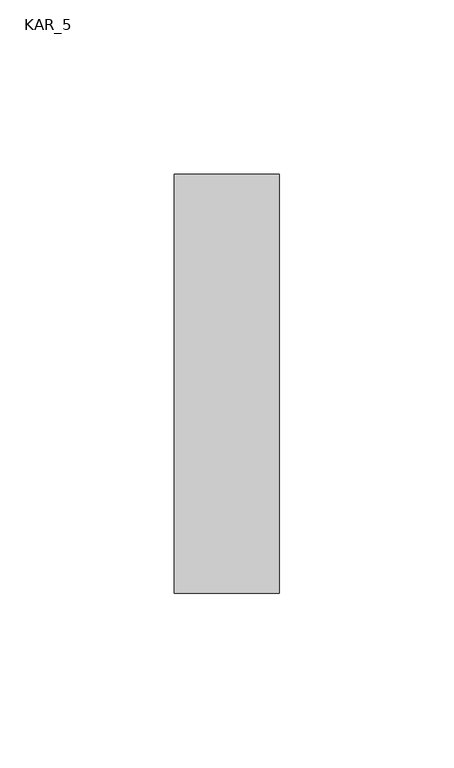
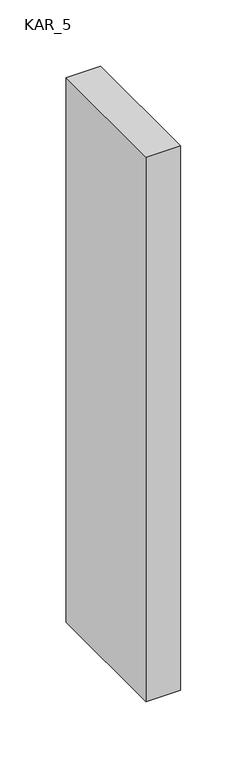
"""IFC4 building model written with IfcOpenShell, lengths in millimetres: proxy geometry, KAR_5."""

import ifcopenshell
import ifcopenshell.guid

model = None  # the IFC model being written
_history = None  # IfcOwnerHistory: only IFC2X3 demands one
_inside = {}  # id of a spatial element -> (the spatial element, [elements in it])
_under = {}  # id of a project, library or spatial element -> (it, [spatial elements below it])
_declared = {}  # id of a project -> (the project, [libraries it declares])
_typed = {}  # id of a type object -> (the type object, [elements of that type])
_made_of = {}  # id of a material, layer set ... -> (it, [elements and type objects made of it])


def new_model(schema):
    """Start an empty IFC model of exactly this schema.

    Asked for "IFC4X3", IfcOpenShell would pick the latest addendum, in which some entities
    have other attributes; the version numbers below select the first issue.
    IFC2X3 requires an IfcOwnerHistory on every rooted entity: one is made here for all.
    """
    global model, _history
    if schema == "IFC4X3":
        model = ifcopenshell.file(schema_version=(4, 3, 0, 0))
    else:
        model = ifcopenshell.file(schema=schema)
    _inside.clear()
    _under.clear()
    _declared.clear()
    _typed.clear()
    _made_of.clear()
    _history = None
    if model.schema == "IFC2X3":
        org = make("IfcOrganization", Name="unknown")
        user = make(
            "IfcPersonAndOrganization",
            ThePerson=make("IfcPerson", FamilyName="unknown"),
            TheOrganization=org,
        )
        app = make(
            "IfcApplication",
            ApplicationDeveloper=org,
            Version="unknown",
            ApplicationFullName="unknown",
            ApplicationIdentifier="unknown",
        )
        _history = make(
            "IfcOwnerHistory",
            OwningUser=user,
            OwningApplication=app,
            ChangeAction="ADDED",
            CreationDate=0,
        )
    return model


def make(cls, **values):
    """One entity of the class cls with the attributes given. An attribute that is None is left unset."""
    return model.create_entity(
        cls, **{name: value for name, value in values.items() if value is not None}
    )


def rooted(cls, **values):
    """An entity with a GlobalId (a new one), such as an element, a storey or a relation."""
    return make(cls, GlobalId=ifcopenshell.guid.new(), OwnerHistory=_history, **values)


def si_unit(unit_type, name, prefix=None):
    """IfcSIUnit, for example si_unit("LENGTHUNIT", "METRE", prefix="MILLI")."""
    return make("IfcSIUnit", UnitType=unit_type, Prefix=prefix, Name=name)


def assignment(units):
    """IfcUnitAssignment: the units of a project."""
    return None if units is None else make("IfcUnitAssignment", Units=units)


def point(xyz):
    """IfcCartesianPoint."""
    return None if xyz is None else make("IfcCartesianPoint", Coordinates=xyz)


def direction(xyz):
    """IfcDirection."""
    return None if xyz is None else make("IfcDirection", DirectionRatios=xyz)


def frame(location, z_axis=None, x_axis=None):
    """IfcAxis2Placement3D, a coordinate frame: its origin and axes. An axis left out is left unset."""
    return make(
        "IfcAxis2Placement3D",
        Location=point(location),
        Axis=direction(z_axis),
        RefDirection=direction(x_axis),
    )


def origin():
    """The frame at (0, 0, 0) with its axes left unset."""
    return frame((0.0, 0.0, 0.0))


def place(relative_to, where):
    """IfcLocalPlacement: puts the frame where relative to a parent placement (None: the world)."""
    return make(
        "IfcLocalPlacement", PlacementRelTo=relative_to, RelativePlacement=where
    )


def context(
    kind, dimensions, precision=None, world=None, true_north=None, identifier=None
):
    """IfcGeometricRepresentationContext, for example the 3D "Model" context."""
    return make(
        "IfcGeometricRepresentationContext",
        ContextIdentifier=identifier,
        ContextType=kind,
        CoordinateSpaceDimension=dimensions,
        Precision=precision,
        WorldCoordinateSystem=world,
        TrueNorth=true_north,
    )


def project(units=None, contexts=None):
    """IfcProject with its units and contexts."""
    return rooted(
        "IfcProject",
        Name="project",
        RepresentationContexts=contexts,
        UnitsInContext=assignment(units),
    )


def spatial(cls, under=None, at=None, **own):
    """A site, building, storey or space (cls), placed at a placement, below another one or the project."""
    s = rooted(cls, ObjectPlacement=at, **own)
    if under is not None:
        _under.setdefault(under.id(), (under, []))[1].append(s)
    return s


def polyline(points):
    """IfcPolyline through the points."""
    return make("IfcPolyline", Points=[point(p) for p in points])


def outline(outer, holes=None, kind="AREA"):
    """IfcArbitraryClosedProfileDef: a profile drawn as a closed curve; with holes, ...WithVoids."""
    if holes is None:
        return make("IfcArbitraryClosedProfileDef", ProfileType=kind, OuterCurve=outer)
    return make(
        "IfcArbitraryProfileDefWithVoids",
        ProfileType=kind,
        OuterCurve=outer,
        InnerCurves=holes,
    )


def extrude(swept, where, along, depth):
    """IfcExtrudedAreaSolid: the profile swept, set in the frame where, extruded along a direction by depth."""
    return make(
        "IfcExtrudedAreaSolid",
        SweptArea=swept,
        Position=where,
        ExtrudedDirection=direction(along),
        Depth=depth,
    )


def shape(context_of_items, identifier, shape_type, items):
    """IfcShapeRepresentation: the items that make up one representation, for example the "Body"."""
    return make(
        "IfcShapeRepresentation",
        ContextOfItems=context_of_items,
        RepresentationIdentifier=identifier,
        RepresentationType=shape_type,
        Items=items,
    )


def source(mapping_origin, context_of_items, identifier, shape_type, items):
    """IfcRepresentationMap: a shape defined once, which mapped items show again and again."""
    return make(
        "IfcRepresentationMap",
        MappingOrigin=mapping_origin,
        MappedRepresentation=shape(context_of_items, identifier, shape_type, items),
    )


def transform(
    local_origin,
    x_axis=None,
    y_axis=None,
    z_axis=None,
    scale=None,
    scale2=None,
    scale3=None,
    uniform=True,
):
    """IfcCartesianTransformationOperator3D, or its non-uniform kind. x_axis, y_axis, z_axis: its Axis1, 2, 3."""
    if uniform:
        return make(
            "IfcCartesianTransformationOperator3D",
            Axis1=direction(x_axis),
            Axis2=direction(y_axis),
            LocalOrigin=point(local_origin),
            Scale=scale,
            Axis3=direction(z_axis),
        )
    return make(
        "IfcCartesianTransformationOperator3DnonUniform",
        Axis1=direction(x_axis),
        Axis2=direction(y_axis),
        LocalOrigin=point(local_origin),
        Scale=scale,
        Axis3=direction(z_axis),
        Scale2=scale2,
        Scale3=scale3,
    )


def mapped(mapping_source, mapping_target):
    """IfcMappedItem: shows the shape of a source again, moved by a transform."""
    return make(
        "IfcMappedItem", MappingSource=mapping_source, MappingTarget=mapping_target
    )


def made_of(thing, what):
    """Note that an element or type object is made of a material, layer set ...; save() writes the relation."""
    if what is not None:
        _made_of.setdefault(what.id(), (what, []))[1].append(thing)
    return thing


def element(
    cls,
    number,
    at=None,
    inside=None,
    cuts=None,
    type_object=None,
    material=None,
    context=None,
    identifier="Body",
    shape_type=None,
    held_by="IfcProductDefinitionShape",
    body=None,
    shapes=None,
    **own,
):
    """One element of the class cls, such as IfcWall. Its Tag is "e" and its number.

    at: its placement. inside: the storey or other place that contains it. cuts: it is an
    opening in that element (IfcRelVoidsElement). A single representation is given by context,
    identifier, shape_type and body (its items); several are given by shapes. held_by: the class
    of the entity that holds the representations. save() writes the other relations.
    """
    e = rooted(cls, Tag="e%d" % number, ObjectPlacement=at, **own)
    if body is not None:
        shapes = [shape(context, identifier, shape_type, body)]
    if shapes is not None:
        e.Representation = make(held_by, Representations=shapes)
    if inside is not None:
        _inside.setdefault(inside.id(), (inside, []))[1].append(e)
    if cuts is not None:
        rooted(
            "IfcRelVoidsElement", RelatingBuildingElement=cuts, RelatedOpeningElement=e
        )
    if type_object is not None:
        _typed.setdefault(type_object.id(), (type_object, []))[1].append(e)
    return made_of(e, material)


def aggregate(whole, parts):
    """IfcRelAggregates: a whole, such as a stair, and the parts it consists of."""
    return rooted("IfcRelAggregates", RelatingObject=whole, RelatedObjects=parts)


def save(model, path):
    """Write the relations noted so far, then the file.

    IfcRelAggregates (storeys below a building ...), IfcRelContainedInSpatialStructure (elements
    in a storey), IfcRelDefinesByType, IfcRelAssociatesMaterial and IfcRelDeclares: one each for
    every whole, place, type object, material and project.
    """
    for whole, parts in _under.values():
        aggregate(whole, parts)
    for where, things in _inside.values():
        rooted(
            "IfcRelContainedInSpatialStructure",
            RelatedElements=things,
            RelatingStructure=where,
        )
    for kind, things in _typed.values():
        rooted("IfcRelDefinesByType", RelatedObjects=things, RelatingType=kind)
    for what, things in _made_of.values():
        rooted("IfcRelAssociatesMaterial", RelatedObjects=things, RelatingMaterial=what)
    for by, libraries in _declared.values():
        rooted("IfcRelDeclares", RelatingContext=by, RelatedDefinitions=libraries)
    model.write(path)


def kar_5_f4ec4b51(model_context):
    return source(origin(), model_context, "Body", "SweptSolid", [
        extrude(outline(polyline([(30.0, 120.0), (30.0, 0.0), (0.0, 0.0), (0.0, 120.0), (30.0, 120.0)])), frame((0.0, 0.0, 1300.0), z_axis=(0.0, 0.0, 1.0), x_axis=(1.0, 0.0, 0.0)), (0.0, 0.0, 1.0), 500.0),
    ])


if __name__ == "__main__":
    model = new_model("IFC4")
    model_context = context("Model", 3, world=origin())
    ifc_project = project(units=[si_unit("LENGTHUNIT", "METRE", prefix="MILLI")], contexts=[model_context])
    site = spatial("IfcSite", under=ifc_project)
    building = spatial("IfcBuilding", under=site)
    placement = place(None, origin())
    kar_5_shape = kar_5_f4ec4b51(model_context)
    element("IfcBuildingElementProxy", 1, Name="KAR_5", ObjectType="KAR_5", at=placement, inside=building, context=model_context, shape_type="MappedRepresentation", body=[
        mapped(kar_5_shape, transform((0.0, 0.0, 0.0), x_axis=(1.0, 0.0, 0.0), y_axis=(0.0, 1.0, 0.0), z_axis=(0.0, 0.0, 1.0))),
    ])
    save(model, "model.ifc")
